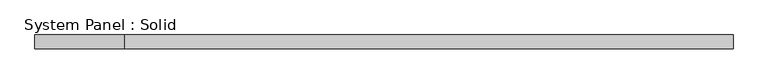
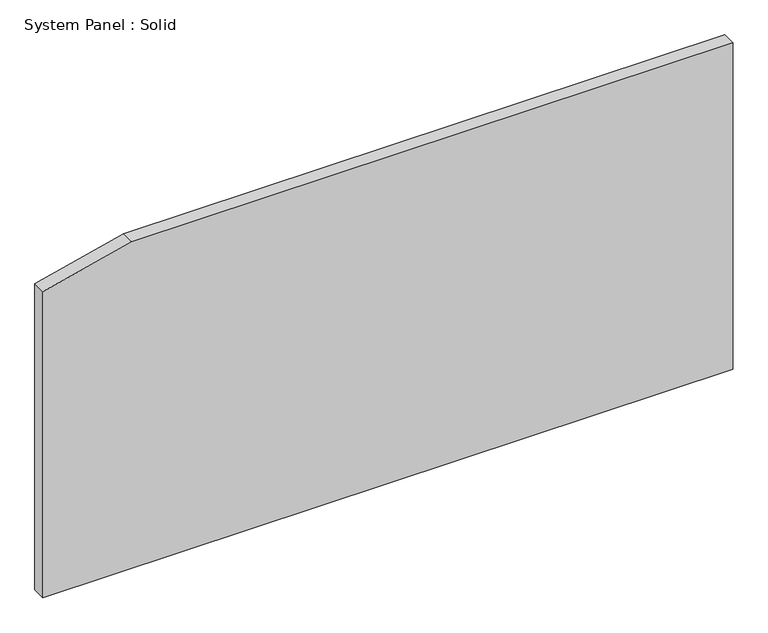
"""IFC4 building model written with IfcOpenShell, lengths in millimetres: plate geometry, System Panel : Solid."""

from ifc_helpers import new_model, si_unit, frame, origin, place, context, project, spatial, polyline, outline, extrude, source, transform, mapped, element, save


def system_panel_solid_a7dd67a4(model_context):
    return source(origin(), model_context, "Body", "SweptSolid", [
        extrude(outline(polyline([(0.0, -1500.0), (0.0, 1500.0), (1500.0, 1500.0), (1500.0, -1112.8999708), (1407.3242299, -1500.0), (0.0, -1500.0)])), frame((0.0, -10.5, 0.0), z_axis=(0.0, 1.0, 0.0), x_axis=(0.0, 0.0, 1.0)), (0.0, 0.0, 1.0), 60.0),
    ])


if __name__ == "__main__":
    model = new_model("IFC4")
    model_context = context("Model", 3, world=origin())
    ifc_project = project(units=[si_unit("LENGTHUNIT", "METRE", prefix="MILLI")], contexts=[model_context])
    site = spatial("IfcSite", under=ifc_project)
    building = spatial("IfcBuilding", under=site)
    placement = place(None, origin())
    system_panel_solid_shape = system_panel_solid_a7dd67a4(model_context)
    element("IfcPlate", 1, ObjectType="System Panel : Solid", at=placement, inside=building, context=model_context, shape_type="MappedRepresentation", body=[
        mapped(system_panel_solid_shape, transform((0.0, 0.0, 0.0), x_axis=(1.0, 0.0, 0.0), y_axis=(0.0, 1.0, 0.0), z_axis=(0.0, 0.0, 1.0))),
    ])
    save(model, "model.ifc")
